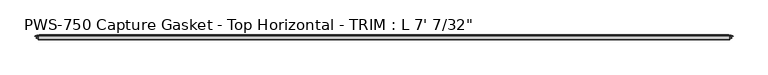
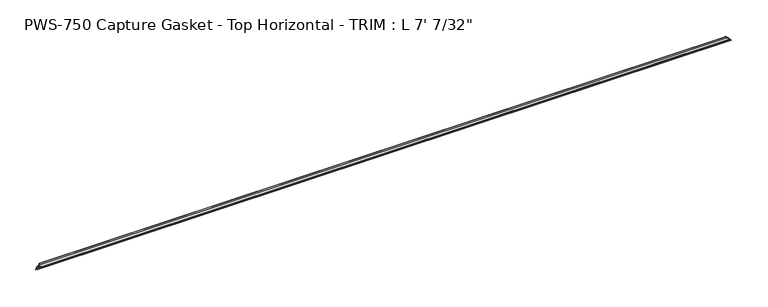
"""IFC4 building model written with IfcOpenShell, lengths in millimetres: proxy geometry."""

from ifc_helpers import new_model, si_unit, origin, place, context, project, spatial, faceted_brep, source, transform, mapped, element, save


def proxy_f110f388(model_context):
    return source(origin(), model_context, "Body", "Brep", [
        faceted_brep([(2128.5750813, 3.1126161, 10.5811687), (10.5811687, 3.1126161, 10.5811687), (10.0325598, 3.8999328, 10.0325598), (2129.1236902, 3.8999328, 10.0325598), (6.917311, 4.2700002, 6.917311), (2132.238939, 4.2700002, 6.917311), (8.2166266, 3.1803976, 8.2166266), (2130.9396234, 3.1803976, 8.2166266), (4.271917, 4.5858484, 4.271917), (2134.884333, 4.5858484, 4.271917), (3.6825598, 5.3411219, 3.6825598), (2135.4736902, 5.3411219, 3.6825598), (4.3087184, 6.061435, 4.3087184), (2134.8475316, 6.061435, 4.3087184), (8.2166266, 7.4537739, 8.2166266), (2130.9396234, 7.4537739, 8.2166266), (6.917311, 6.3641713, 6.917311), (2132.238939, 6.3641713, 6.917311), (10.0325598, 6.7342387, 10.0325598), (2129.1236902, 6.7342387, 10.0325598), (10.0325598, 9.5788982, 10.0325598), (2129.1236902, 9.5788982, 10.0325598), (4.445663, 9.5788982, 4.445663), (2134.710587, 9.5788982, 4.445663), (0.0, 10.6566114, 0.0631583), (2139.15625, 10.6566114, 0.0631583), (0.3097145, 11.6592287, 0.3097145), (2138.8465355, 11.6592287, 0.3097145), (5.4117726, 14.0291241, 5.4117726), (2133.7444774, 14.0291241, 5.4117726), (3.3557311, 11.9730826, 3.3557311), (2135.8005189, 11.9730826, 3.3557311), (5.5225062, 11.9730826, 5.5225062), (2133.6337438, 11.9730826, 5.5225062), (8.4924715, 14.0291241, 8.4924715), (2130.6637785, 14.0291241, 8.4924715), (6.649436, 11.7844518, 6.649436), (2132.506814, 11.7844518, 6.649436), (9.7544194, 12.0846322, 9.7544194), (2129.4018306, 12.0846322, 9.7544194), (13.9901764, 14.4184849, 13.9901764), (2125.1660736, 14.4184849, 13.9901764), (14.3553266, 13.6397632, 14.3553266), (2124.8009234, 13.6397632, 14.3553266), (11.8032491, 11.0876857, 11.8032491), (2127.3530009, 11.0876857, 11.8032491), (11.4576697, 1.3581987, 11.4576697), (2127.6985803, 1.3581987, 11.4576697), (10.099471, 0.0, 10.099471), (2129.056779, 0.0, 10.099471), (10.099471, 1.1075685, 10.099471), (2129.056779, 1.1075685, 10.099471)], [[[0, 1, 2, 3]], [[3, 2, 4, 5]], [[5, 4, 6, 7]], [[7, 6, 8, 9]], [[9, 8, 10, 11]], [[11, 10, 12, 13]], [[13, 12, 14, 15]], [[15, 14, 16, 17]], [[17, 16, 18, 19]], [[19, 18, 20, 21]], [[21, 20, 22, 23]], [[24, 25, 23, 22]], [[25, 24, 26, 27]], [[27, 26, 28, 29]], [[29, 28, 30, 31]], [[31, 30, 32, 33]], [[33, 32, 34, 35]], [[35, 34, 36, 37]], [[37, 36, 38, 39]], [[39, 38, 40, 41]], [[41, 40, 42, 43]], [[43, 42, 44, 45]], [[45, 44, 46, 47]], [[47, 46, 48, 49]], [[49, 48, 50, 51]], [[1, 0, 51, 50]], [[2, 1, 50, 48, 46, 44, 42, 40, 38, 36, 34, 32, 30, 28, 26, 24, 22, 20, 18, 16, 14, 12, 10, 8, 6, 4]], [[0, 3, 5, 7, 9, 11, 13, 15, 17, 19, 21, 23, 25, 27, 29, 31, 33, 35, 37, 39, 41, 43, 45, 47, 49, 51]]]),
    ])


if __name__ == "__main__":
    model = new_model("IFC4")
    model_context = context("Model", 3, world=origin())
    ifc_project = project(units=[si_unit("LENGTHUNIT", "METRE", prefix="MILLI")], contexts=[model_context])
    site = spatial("IfcSite", under=ifc_project)
    building = spatial("IfcBuilding", under=site)
    placement = place(None, origin())
    proxy_shape = proxy_f110f388(model_context)
    element("IfcBuildingElementProxy", 1, Name="PWS-750 Capture Gasket - Top Horizontal - TRIM : L 7' 7/32\"", ObjectType="PWS-750 Capture Gasket - Top Horizontal - TRIM : L 7' 7/32\"", at=placement, inside=building, context=model_context, shape_type="MappedRepresentation", body=[
        mapped(proxy_shape, transform((0.0, 0.0, 0.0), x_axis=(1.0, 0.0, 0.0), y_axis=(0.0, 1.0, 0.0), z_axis=(0.0, 0.0, 1.0))),
    ])
    save(model, "model.ifc")
